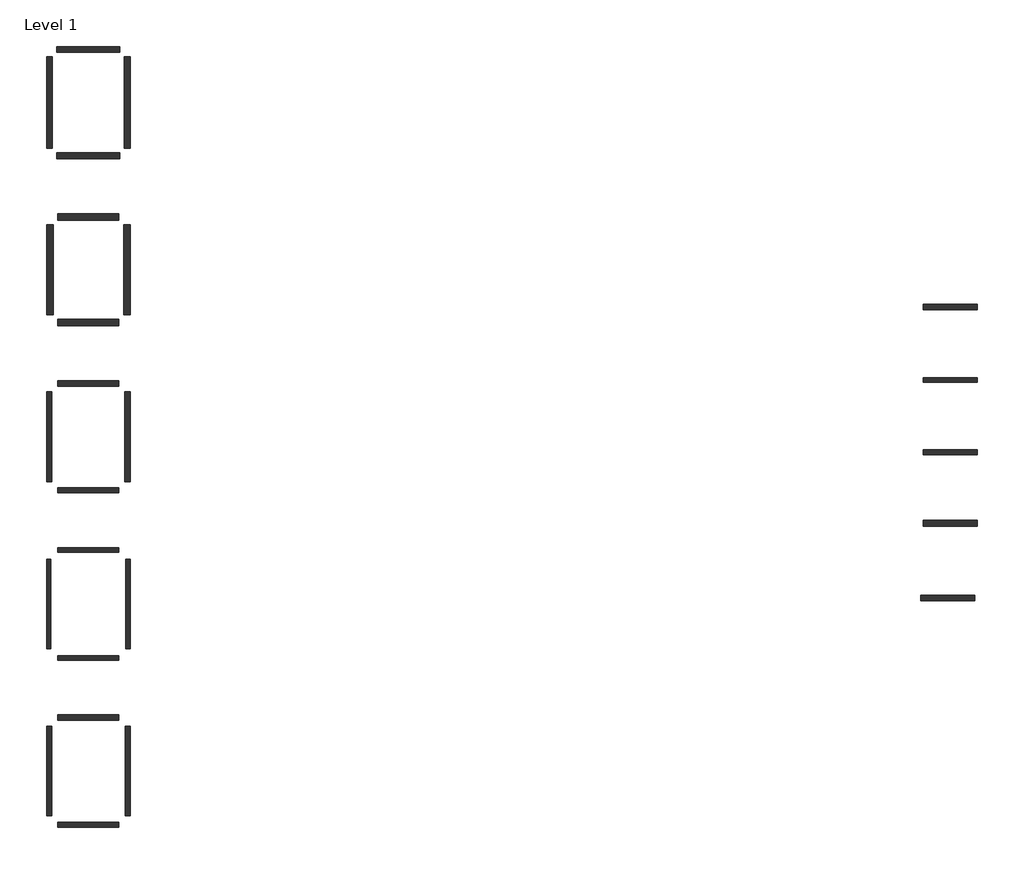
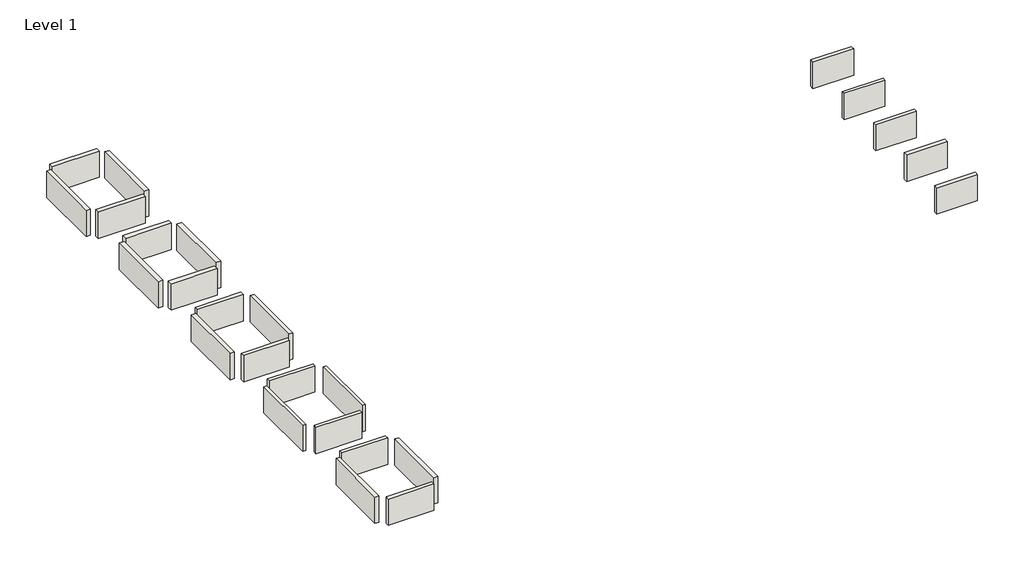
# One storey: 25 walls.
"""IFC4 building model written with IfcOpenShell, lengths in millimetres."""

import ifcopenshell
import ifcopenshell.guid

model = None  # the IFC model being written
_history = None  # IfcOwnerHistory: only IFC2X3 demands one
_inside = {}  # id of a spatial element -> (the spatial element, [elements in it])
_under = {}  # id of a project, library or spatial element -> (it, [spatial elements below it])
_declared = {}  # id of a project -> (the project, [libraries it declares])
_typed = {}  # id of a type object -> (the type object, [elements of that type])
_made_of = {}  # id of a material, layer set ... -> (it, [elements and type objects made of it])


def new_model(schema):
    """Start an empty IFC model of exactly this schema.

    Asked for "IFC4X3", IfcOpenShell would pick the latest addendum, in which some entities
    have other attributes; the version numbers below select the first issue.
    IFC2X3 requires an IfcOwnerHistory on every rooted entity: one is made here for all.
    """
    global model, _history
    if schema == "IFC4X3":
        model = ifcopenshell.file(schema_version=(4, 3, 0, 0))
    else:
        model = ifcopenshell.file(schema=schema)
    _inside.clear()
    _under.clear()
    _declared.clear()
    _typed.clear()
    _made_of.clear()
    _history = None
    if model.schema == "IFC2X3":
        org = make("IfcOrganization", Name="unknown")
        user = make(
            "IfcPersonAndOrganization",
            ThePerson=make("IfcPerson", FamilyName="unknown"),
            TheOrganization=org,
        )
        app = make(
            "IfcApplication",
            ApplicationDeveloper=org,
            Version="unknown",
            ApplicationFullName="unknown",
            ApplicationIdentifier="unknown",
        )
        _history = make(
            "IfcOwnerHistory",
            OwningUser=user,
            OwningApplication=app,
            ChangeAction="ADDED",
            CreationDate=0,
        )
    return model


def make(cls, **values):
    """One entity of the class cls with the attributes given. An attribute that is None is left unset."""
    return model.create_entity(
        cls, **{name: value for name, value in values.items() if value is not None}
    )


def rooted(cls, **values):
    """An entity with a GlobalId (a new one), such as an element, a storey or a relation."""
    return make(cls, GlobalId=ifcopenshell.guid.new(), OwnerHistory=_history, **values)


def si_unit(unit_type, name, prefix=None):
    """IfcSIUnit, for example si_unit("LENGTHUNIT", "METRE", prefix="MILLI")."""
    return make("IfcSIUnit", UnitType=unit_type, Prefix=prefix, Name=name)


def assignment(units):
    """IfcUnitAssignment: the units of a project."""
    return None if units is None else make("IfcUnitAssignment", Units=units)


def point(xyz):
    """IfcCartesianPoint."""
    return None if xyz is None else make("IfcCartesianPoint", Coordinates=xyz)


def direction(xyz):
    """IfcDirection."""
    return None if xyz is None else make("IfcDirection", DirectionRatios=xyz)


def frame(location, z_axis=None, x_axis=None):
    """IfcAxis2Placement3D, a coordinate frame: its origin and axes. An axis left out is left unset."""
    return make(
        "IfcAxis2Placement3D",
        Location=point(location),
        Axis=direction(z_axis),
        RefDirection=direction(x_axis),
    )


def origin():
    """The frame at (0, 0, 0) with its axes left unset."""
    return frame((0.0, 0.0, 0.0))


def origin_with_axes():
    """The frame at (0, 0, 0) with the z axis (0, 0, 1) and the x axis (1, 0, 0) written out."""
    return frame((0.0, 0.0, 0.0), z_axis=(0.0, 0.0, 1.0), x_axis=(1.0, 0.0, 0.0))


def place(relative_to, where):
    """IfcLocalPlacement: puts the frame where relative to a parent placement (None: the world)."""
    return make(
        "IfcLocalPlacement", PlacementRelTo=relative_to, RelativePlacement=where
    )


def context(
    kind, dimensions, precision=None, world=None, true_north=None, identifier=None
):
    """IfcGeometricRepresentationContext, for example the 3D "Model" context."""
    return make(
        "IfcGeometricRepresentationContext",
        ContextIdentifier=identifier,
        ContextType=kind,
        CoordinateSpaceDimension=dimensions,
        Precision=precision,
        WorldCoordinateSystem=world,
        TrueNorth=true_north,
    )


def project(units=None, contexts=None):
    """IfcProject with its units and contexts."""
    return rooted(
        "IfcProject",
        Name="project",
        RepresentationContexts=contexts,
        UnitsInContext=assignment(units),
    )


def spatial(cls, under=None, at=None, **own):
    """A site, building, storey or space (cls), placed at a placement, below another one or the project."""
    s = rooted(cls, ObjectPlacement=at, **own)
    if under is not None:
        _under.setdefault(under.id(), (under, []))[1].append(s)
    return s


def polyline(points):
    """IfcPolyline through the points."""
    return make("IfcPolyline", Points=[point(p) for p in points])


def outline(outer, holes=None, kind="AREA"):
    """IfcArbitraryClosedProfileDef: a profile drawn as a closed curve; with holes, ...WithVoids."""
    if holes is None:
        return make("IfcArbitraryClosedProfileDef", ProfileType=kind, OuterCurve=outer)
    return make(
        "IfcArbitraryProfileDefWithVoids",
        ProfileType=kind,
        OuterCurve=outer,
        InnerCurves=holes,
    )


def extrude(swept, where, along, depth):
    """IfcExtrudedAreaSolid: the profile swept, set in the frame where, extruded along a direction by depth."""
    return make(
        "IfcExtrudedAreaSolid",
        SweptArea=swept,
        Position=where,
        ExtrudedDirection=direction(along),
        Depth=depth,
    )


def shape(context_of_items, identifier, shape_type, items):
    """IfcShapeRepresentation: the items that make up one representation, for example the "Body"."""
    return make(
        "IfcShapeRepresentation",
        ContextOfItems=context_of_items,
        RepresentationIdentifier=identifier,
        RepresentationType=shape_type,
        Items=items,
    )


def made_of(thing, what):
    """Note that an element or type object is made of a material, layer set ...; save() writes the relation."""
    if what is not None:
        _made_of.setdefault(what.id(), (what, []))[1].append(thing)
    return thing


def element(
    cls,
    number,
    at=None,
    inside=None,
    cuts=None,
    type_object=None,
    material=None,
    context=None,
    identifier="Body",
    shape_type=None,
    held_by="IfcProductDefinitionShape",
    body=None,
    shapes=None,
    **own,
):
    """One element of the class cls, such as IfcWall. Its Tag is "e" and its number.

    at: its placement. inside: the storey or other place that contains it. cuts: it is an
    opening in that element (IfcRelVoidsElement). A single representation is given by context,
    identifier, shape_type and body (its items); several are given by shapes. held_by: the class
    of the entity that holds the representations. save() writes the other relations.
    """
    e = rooted(cls, Tag="e%d" % number, ObjectPlacement=at, **own)
    if body is not None:
        shapes = [shape(context, identifier, shape_type, body)]
    if shapes is not None:
        e.Representation = make(held_by, Representations=shapes)
    if inside is not None:
        _inside.setdefault(inside.id(), (inside, []))[1].append(e)
    if cuts is not None:
        rooted(
            "IfcRelVoidsElement", RelatingBuildingElement=cuts, RelatedOpeningElement=e
        )
    if type_object is not None:
        _typed.setdefault(type_object.id(), (type_object, []))[1].append(e)
    return made_of(e, material)


def aggregate(whole, parts):
    """IfcRelAggregates: a whole, such as a stair, and the parts it consists of."""
    return rooted("IfcRelAggregates", RelatingObject=whole, RelatedObjects=parts)


def save(model, path):
    """Write the relations noted so far, then the file.

    IfcRelAggregates (storeys below a building ...), IfcRelContainedInSpatialStructure (elements
    in a storey), IfcRelDefinesByType, IfcRelAssociatesMaterial and IfcRelDeclares: one each for
    every whole, place, type object, material and project.
    """
    for whole, parts in _under.values():
        aggregate(whole, parts)
    for where, things in _inside.values():
        rooted(
            "IfcRelContainedInSpatialStructure",
            RelatedElements=things,
            RelatingStructure=where,
        )
    for kind, things in _typed.values():
        rooted("IfcRelDefinesByType", RelatedObjects=things, RelatingType=kind)
    for what, things in _made_of.values():
        rooted("IfcRelAssociatesMaterial", RelatedObjects=things, RelatingMaterial=what)
    for by, libraries in _declared.values():
        rooted("IfcRelDeclares", RelatingContext=by, RelatedDefinitions=libraries)
    model.write(path)


model = new_model("IFC4")

# Units and contexts
model_context = context("Model", 3, world=origin())
ifc_project = project(units=[si_unit("LENGTHUNIT", "METRE", prefix="MILLI")], contexts=[model_context])

# Site, building, storey
site = spatial("IfcSite", under=ifc_project)
building = spatial("IfcBuilding", under=site)
storey = spatial("IfcBuildingStorey", under=building, Name="Level 1", Elevation=0.0)

# Walls
placement = place(None, origin())
element("IfcWall", 1, at=placement, inside=storey, context=model_context, shape_type="SweptSolid", body=[
    extrude(outline(polyline([(18783.3298824, -79996.4632941), (22796.5298824, -79996.4632941), (22796.5298824, -80352.0632941), (18783.3298824, -80352.0632941), (18783.3298824, -79996.4632941)])), origin_with_axes(), (0.0, 0.0, 1.0), 2438.4),
])
element("IfcWall", 2, at=placement, inside=storey, context=model_context, shape_type="SweptSolid", body=[
    extrude(outline(polyline([(18046.7298824, -86625.8632941), (18046.7298824, -80733.0632941), (18402.3298824, -80733.0632941), (18402.3298824, -86625.8632941), (18046.7298824, -86625.8632941)])), origin_with_axes(), (0.0, 0.0, 1.0), 2438.4),
])
element("IfcWall", 3, at=placement, inside=storey, context=model_context, shape_type="SweptSolid", body=[
    extrude(outline(polyline([(22796.5298824, -87362.4632941), (18783.3298824, -87362.4632941), (18783.3298824, -87006.8632941), (22796.5298824, -87006.8632941), (22796.5298824, -87362.4632941)])), origin_with_axes(), (0.0, 0.0, 1.0), 2438.4),
])
element("IfcWall", 4, at=placement, inside=storey, context=model_context, shape_type="SweptSolid", body=[
    extrude(outline(polyline([(79171.8298824, -84854.5926498), (75615.8298824, -84854.5926498), (75615.8298824, -84524.3926498), (79171.8298824, -84524.3926498), (79171.8298824, -84854.5926498)])), origin_with_axes(), (0.0, 0.0, 1.0), 2438.4),
])
element("IfcWall", 5, at=placement, inside=storey, context=model_context, shape_type="SweptSolid", body=[
    extrude(outline(polyline([(23177.5298824, -86625.8632941), (23177.5298824, -80733.0632941), (23533.1298824, -80733.0632941), (23533.1298824, -86625.8632941), (23177.5298824, -86625.8632941)])), origin_with_axes(), (0.0, 0.0, 1.0), 2438.4),
])
element("IfcWall", 6, at=placement, inside=storey, context=model_context, shape_type="SweptSolid", body=[
    extrude(outline(polyline([(18783.3298824, -90969.2632941), (22796.5298824, -90969.2632941), (22796.5298824, -91248.6632941), (18783.3298824, -91248.6632941), (18783.3298824, -90969.2632941)])), origin_with_axes(), (0.0, 0.0, 1.0), 2438.4),
])
element("IfcWall", 7, at=placement, inside=storey, context=model_context, shape_type="SweptSolid", body=[
    extrude(outline(polyline([(18046.7298824, -97598.6632941), (18046.7298824, -91705.8632941), (18326.1298824, -91705.8632941), (18326.1298824, -97598.6632941), (18046.7298824, -97598.6632941)])), origin_with_axes(), (0.0, 0.0, 1.0), 2438.4),
])
element("IfcWall", 8, at=placement, inside=storey, context=model_context, shape_type="SweptSolid", body=[
    extrude(outline(polyline([(22796.5298824, -98335.2632941), (18783.3298824, -98335.2632941), (18783.3298824, -98055.8632941), (22796.5298824, -98055.8632941), (22796.5298824, -98335.2632941)])), origin_with_axes(), (0.0, 0.0, 1.0), 2438.4),
])
element("IfcWall", 9, at=placement, inside=storey, context=model_context, shape_type="SweptSolid", body=[
    extrude(outline(polyline([(23253.7298824, -97598.6632941), (23253.7298824, -91705.8632941), (23533.1298824, -91705.8632941), (23533.1298824, -97598.6632941), (23253.7298824, -97598.6632941)])), origin_with_axes(), (0.0, 0.0, 1.0), 2438.4),
])
element("IfcWall", 10, at=placement, inside=storey, context=model_context, shape_type="SweptSolid", body=[
    extrude(outline(polyline([(18783.3298824, -101942.0632941), (22796.5298824, -101942.0632941), (22796.5298824, -102272.2632941), (18783.3298824, -102272.2632941), (18783.3298824, -101942.0632941)])), origin_with_axes(), (0.0, 0.0, 1.0), 2438.4),
])
element("IfcWall", 11, at=placement, inside=storey, context=model_context, shape_type="SweptSolid", body=[
    extrude(outline(polyline([(18046.7298824, -108571.4632941), (18046.7298824, -102678.6632941), (18376.9298824, -102678.6632941), (18376.9298824, -108571.4632941), (18046.7298824, -108571.4632941)])), origin_with_axes(), (0.0, 0.0, 1.0), 2438.4),
])
element("IfcWall", 12, at=placement, inside=storey, context=model_context, shape_type="SweptSolid", body=[
    extrude(outline(polyline([(22796.5298824, -109308.0632941), (18783.3298824, -109308.0632941), (18783.3298824, -108977.8632941), (22796.5298824, -108977.8632941), (22796.5298824, -109308.0632941)])), origin_with_axes(), (0.0, 0.0, 1.0), 2438.4),
])
element("IfcWall", 13, at=placement, inside=storey, context=model_context, shape_type="SweptSolid", body=[
    extrude(outline(polyline([(78997.2282207, -94443.0926498), (75441.2282207, -94443.0926498), (75441.2282207, -94087.4926498), (78997.2282207, -94087.4926498), (78997.2282207, -94443.0926498)])), origin_with_axes(), (0.0, 0.0, 1.0), 2438.4),
])
element("IfcWall", 14, at=placement, inside=storey, context=model_context, shape_type="SweptSolid", body=[
    extrude(outline(polyline([(23202.9298824, -108571.4632941), (23202.9298824, -102678.6632941), (23533.1298824, -102678.6632941), (23533.1298824, -108571.4632941), (23202.9298824, -108571.4632941)])), origin_with_axes(), (0.0, 0.0, 1.0), 2438.4),
])
element("IfcWall", 15, at=placement, inside=storey, context=model_context, shape_type="SweptSolid", body=[
    extrude(outline(polyline([(79171.8298824, -80092.0926498), (75615.8298824, -80092.0926498), (75615.8298824, -79812.6926498), (79171.8298824, -79812.6926498), (79171.8298824, -80092.0926498)])), origin_with_axes(), (0.0, 0.0, 1.0), 2438.4),
])
element("IfcWall", 16, at=placement, inside=storey, context=model_context, shape_type="SweptSolid", body=[
    extrude(outline(polyline([(79171.8298824, -75329.5926498), (75615.8298824, -75329.5926498), (75615.8298824, -74973.9926498), (79171.8298824, -74973.9926498), (79171.8298824, -75329.5926498)])), origin_with_axes(), (0.0, 0.0, 1.0), 2438.4),
])
element("IfcWall", 17, ObjectType="BB-1000 10\" Blank Wall", at=placement, inside=storey, context=model_context, shape_type="SweptSolid", body=[
    extrude(outline(polyline([(18732.5298824, -58050.8632941), (22847.3298824, -58050.8632941), (22847.3298824, -58431.8632941), (18732.5298824, -58431.8632941), (18732.5298824, -58050.8632941)])), origin_with_axes(), (0.0, 0.0, 1.0), 2438.4),
])
element("IfcWall", 18, ObjectType="BB-1000 10\" Blank Wall", at=placement, inside=storey, context=model_context, shape_type="SweptSolid", body=[
    extrude(outline(polyline([(18046.7298824, -64731.0632941), (18046.7298824, -58736.6632941), (18427.7298824, -58736.6632941), (18427.7298824, -64731.0632941), (18046.7298824, -64731.0632941)])), origin_with_axes(), (0.0, 0.0, 1.0), 2438.4),
])
element("IfcWall", 19, ObjectType="BB-1000 10\" Blank Wall", at=placement, inside=storey, context=model_context, shape_type="SweptSolid", body=[
    extrude(outline(polyline([(22847.3298824, -65416.8632941), (18732.5298824, -65416.8632941), (18732.5298824, -65035.8632941), (22847.3298824, -65035.8632941), (22847.3298824, -65416.8632941)])), origin_with_axes(), (0.0, 0.0, 1.0), 2438.4),
])
element("IfcWall", 20, ObjectType="BB-1000 10\" Blank Wall", at=placement, inside=storey, context=model_context, shape_type="SweptSolid", body=[
    extrude(outline(polyline([(23152.1298824, -64731.0632941), (23152.1298824, -58736.6632941), (23533.1298824, -58736.6632941), (23533.1298824, -64731.0632941), (23152.1298824, -64731.0632941)])), origin_with_axes(), (0.0, 0.0, 1.0), 2438.4),
])
element("IfcWall", 21, ObjectType="BB-1000 10\" Blank Wall", at=placement, inside=storey, context=model_context, shape_type="SweptSolid", body=[
    extrude(outline(polyline([(79171.8298824, -89540.8926498), (75615.8298824, -89540.8926498), (75615.8298824, -89159.8926498), (79171.8298824, -89159.8926498), (79171.8298824, -89540.8926498)])), origin_with_axes(), (0.0, 0.0, 1.0), 2438.4),
])
element("IfcWall", 22, ObjectType="BB-1200 12\" Blank Wall", at=placement, inside=storey, context=model_context, shape_type="SweptSolid", body=[
    extrude(outline(polyline([(18783.3298824, -69023.6632941), (22796.5298824, -69023.6632941), (22796.5298824, -69455.4632941), (18783.3298824, -69455.4632941), (18783.3298824, -69023.6632941)])), origin_with_axes(), (0.0, 0.0, 1.0), 2438.4),
])
element("IfcWall", 23, ObjectType="BB-1200 12\" Blank Wall", at=placement, inside=storey, context=model_context, shape_type="SweptSolid", body=[
    extrude(outline(polyline([(18046.7298824, -75653.0632941), (18046.7298824, -69760.2632941), (18478.5298824, -69760.2632941), (18478.5298824, -75653.0632941), (18046.7298824, -75653.0632941)])), origin_with_axes(), (0.0, 0.0, 1.0), 2438.4),
])
element("IfcWall", 24, ObjectType="BB-1200 12\" Blank Wall", at=placement, inside=storey, context=model_context, shape_type="SweptSolid", body=[
    extrude(outline(polyline([(22796.5298824, -76389.6632941), (18783.3298824, -76389.6632941), (18783.3298824, -75957.8632941), (22796.5298824, -75957.8632941), (22796.5298824, -76389.6632941)])), origin_with_axes(), (0.0, 0.0, 1.0), 2438.4),
])
element("IfcWall", 25, ObjectType="BB-1200 12\" Blank Wall", at=placement, inside=storey, context=model_context, shape_type="SweptSolid", body=[
    extrude(outline(polyline([(23101.3298824, -75653.0632941), (23101.3298824, -69760.2632941), (23533.1298824, -69760.2632941), (23533.1298824, -75653.0632941), (23101.3298824, -75653.0632941)])), origin_with_axes(), (0.0, 0.0, 1.0), 2438.4),
])

save(model, "model.ifc")
